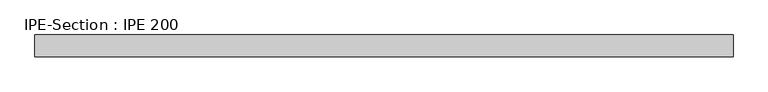
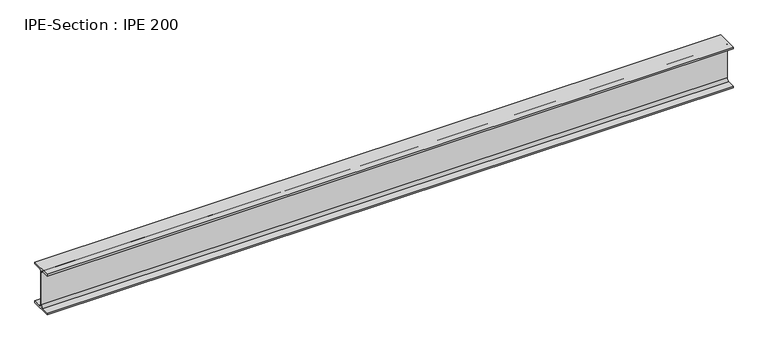
"""IFC4 building model written with IfcOpenShell, lengths in millimetres: beam geometry, IPE-Section : IPE 200."""

from ifc_helpers import new_model, si_unit, point, frame, frame_2d, origin, place, context, project, spatial, polyline, circle_curve, trimmed, segment, composite_curve, outline, extrude, source, transform, mapped, element, save


def ipe_section_ipe_200_8a580747(model_context):
    return source(origin(), model_context, "Body", "SweptSolid", [
        extrude(outline(composite_curve([segment(polyline([(-50.0, -91.5), (-14.8, -91.5)]), True, "CONTINUOUS"), segment(trimmed(circle_curve(frame_2d((-14.8, -79.5)), 12.0), [point((-14.8, -91.5))], [point((-2.8, -79.5))], True, "CARTESIAN"), True, "CONTINUOUS"), segment(polyline([(-2.8, -79.5), (-2.8, 79.5)]), True, "CONTINUOUS"), segment(trimmed(circle_curve(frame_2d((-14.8, 79.5)), 12.0), [point((-2.8, 79.5))], [point((-14.8, 91.5))], True, "CARTESIAN"), True, "CONTINUOUS"), segment(polyline([(-14.8, 91.5), (-50.0, 91.5), (-50.0, 100.0), (50.0, 100.0), (50.0, 91.5), (14.8, 91.5)]), True, "CONTINUOUS"), segment(trimmed(circle_curve(frame_2d((14.8, 79.5)), 12.0), [point((14.8, 91.5))], [point((2.8, 79.5))], True, "CARTESIAN"), True, "CONTINUOUS"), segment(polyline([(2.8, 79.5), (2.8, -79.5)]), True, "CONTINUOUS"), segment(trimmed(circle_curve(frame_2d((14.8, -79.5)), 12.0), [point((2.8, -79.5))], [point((14.8, -91.5))], True, "CARTESIAN"), True, "CONTINUOUS"), segment(polyline([(14.8, -91.5), (50.0, -91.5), (50.0, -100.0), (-50.0, -100.0), (-50.0, -91.5)]), True, "CONTINUOUS")], self_intersect=False)), frame((-1562.5174722, 0.0, 0.0), z_axis=(1.0, 0.0, 0.0), x_axis=(0.0, 1.0, 0.0)), (0.0, 0.0, 1.0), 3197.3951968),
    ])


if __name__ == "__main__":
    model = new_model("IFC4")
    model_context = context("Model", 3, world=origin())
    ifc_project = project(units=[si_unit("LENGTHUNIT", "METRE", prefix="MILLI")], contexts=[model_context])
    site = spatial("IfcSite", under=ifc_project)
    building = spatial("IfcBuilding", under=site)
    placement = place(None, origin())
    ipe_section_ipe_200_shape = ipe_section_ipe_200_8a580747(model_context)
    element("IfcBeam", 1, ObjectType="IPE-Section : IPE 200", at=placement, inside=building, context=model_context, shape_type="MappedRepresentation", body=[
        mapped(ipe_section_ipe_200_shape, transform((0.0, 0.0, 0.0), x_axis=(1.0, 0.0, 0.0), y_axis=(0.0, 1.0, 0.0), z_axis=(0.0, 0.0, 1.0))),
    ])
    save(model, "model.ifc")
